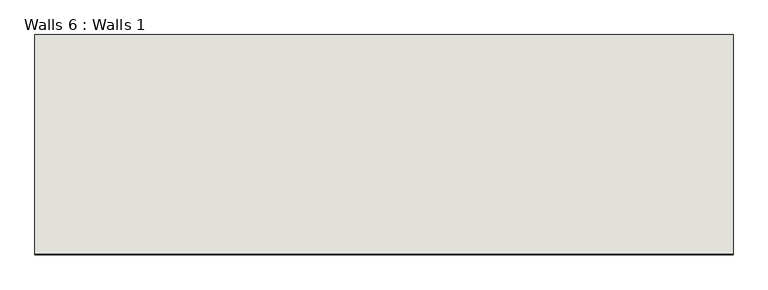
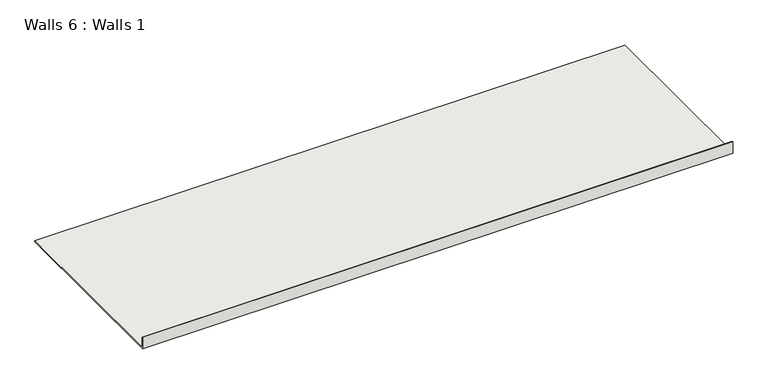
"""IFC4 building model written with IfcOpenShell, lengths in millimetres: wall geometry, Walls 6 : Walls 1."""

from ifc_helpers import new_model, si_unit, frame, origin, place, context, project, spatial, polyline, outline, extrude, source, transform, mapped, element, save


def walls_6_walls_1_ee7bcde6(model_context):
    return source(origin(), model_context, "Body", "SweptSolid", [
        extrude(outline(polyline([(2390.9661491, 430.2125), (3158.0696932, 430.2125), (3158.0696932, 427.0392841), (2387.7911491, 427.0392841), (2387.7911491, 475.7503365), (2390.9661491, 475.7503365), (2390.9661491, 430.2125)])), frame((-316.1487929, 0.0, 0.0), z_axis=(1.0, 0.0, 0.0), x_axis=(0.0, 1.0, 0.0)), (0.0, 0.0, 1.0), 2438.4),
    ])


if __name__ == "__main__":
    model = new_model("IFC4")
    model_context = context("Model", 3, world=origin())
    ifc_project = project(units=[si_unit("LENGTHUNIT", "METRE", prefix="MILLI")], contexts=[model_context])
    site = spatial("IfcSite", under=ifc_project)
    building = spatial("IfcBuilding", under=site)
    placement = place(None, origin())
    walls_6_walls_1_shape = walls_6_walls_1_ee7bcde6(model_context)
    element("IfcWall", 1, ObjectType="Walls 6 : Walls 1", at=placement, inside=building, context=model_context, shape_type="MappedRepresentation", body=[
        mapped(walls_6_walls_1_shape, transform((0.0, 0.0, 0.0), x_axis=(1.0, 0.0, 0.0), y_axis=(0.0, 1.0, 0.0), z_axis=(0.0, 0.0, 1.0))),
    ])
    save(model, "model.ifc")
